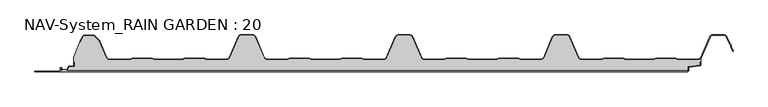
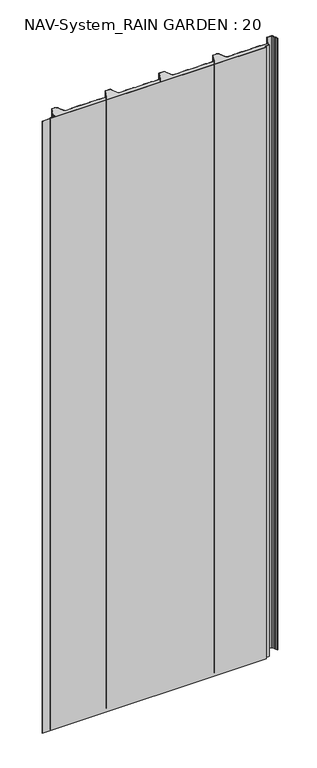
"""IFC4 building model written with IfcOpenShell, lengths in millimetres: plate geometry, NAV-System_RAIN GARDEN : 20."""

from ifc_helpers import new_model, si_unit, point, frame, frame_2d, origin, origin_with_axes, place, context, project, spatial, polyline, circle_curve, trimmed, segment, composite_curve, outline, extrude, source, transform, mapped, element, save


def nav_system_rain_garden_20_6908c3ca(model_context):
    return source(origin(), model_context, "Body", "SweptSolid", [
        extrude(outline(composite_curve([segment(polyline([(14.6767555, 519.0), (14.6767555, 518.2), (10.3721283, 518.2), (7.8818536, 500.4911207)]), True, "CONTINUOUS"), segment(trimmed(circle_curve(frame_2d((6.3964683, 500.7)), 1.5), [point((7.8818536, 500.4911207))], [point((6.3964683, 499.2))], False, "CARTESIAN"), True, "CONTINUOUS"), segment(polyline([(6.3964683, 499.2), (1.8, 499.2), (1.8, -498.7)]), True, "CONTINUOUS"), segment(trimmed(circle_curve(frame_2d((2.3, -498.7)), 0.5), [point((1.8, -498.7))], [point((2.3, -499.2))], True, "CARTESIAN"), True, "CONTINUOUS"), segment(polyline([(2.3, -499.2), (5.3700191, -499.2)]), True, "CONTINUOUS"), segment(trimmed(circle_curve(frame_2d((5.3700191, -498.7)), 0.5), [point((5.3700191, -499.2))], [point((5.6200191, -498.2669873))], True, "CARTESIAN"), True, "CONTINUOUS"), segment(polyline([(5.6200191, -498.2669873), (2.2, -496.2924383), (2.2, -488.9841833), (7.6866602, -485.8164586), (8.898332, -477.2), (14.6767555, -477.2), (14.6767555, -478.0), (9.5937048, -478.0), (8.5128213, -485.6863953)]), True, "CONTINUOUS"), segment(trimmed(circle_curve(frame_2d((7.2254873, -485.5053666)), 1.3), [point((8.5128213, -485.6863953))], [point((7.8754873, -486.6311996))], False, "CARTESIAN"), True, "CONTINUOUS"), segment(polyline([(7.8754873, -486.6311996), (3.0, -489.4460636), (3.0, -495.8305581), (6.0200191, -497.574167)]), True, "CONTINUOUS"), segment(trimmed(circle_curve(frame_2d((5.3700191, -498.7)), 1.3), [point((6.0200191, -497.574167))], [point((5.3700191, -500.0))], False, "CARTESIAN"), True, "CONTINUOUS"), segment(polyline([(5.3700191, -500.0), (2.3, -500.0)]), True, "CONTINUOUS"), segment(trimmed(circle_curve(frame_2d((2.3, -498.7)), 1.3), [point((2.3, -500.0))], [point((1.0, -498.7))], False, "CARTESIAN"), True, "CONTINUOUS"), segment(polyline([(1.0, -498.7), (1.0, -540.0), (0.0, -540.0), (0.0, 498.7), (1.0, 498.7)]), True, "CONTINUOUS"), segment(trimmed(circle_curve(frame_2d((2.3, 498.7)), 1.3), [point((1.0, 498.7))], [point((2.3, 500.0))], False, "CARTESIAN"), True, "CONTINUOUS"), segment(polyline([(2.3, 500.0), (6.3964683, 500.0)]), True, "CONTINUOUS"), segment(trimmed(circle_curve(frame_2d((6.3964683, 500.7)), 0.7), [point((6.3964683, 500.0))], [point((7.0896481, 500.602523))], True, "CARTESIAN"), True, "CONTINUOUS"), segment(polyline([(7.0896481, 500.602523), (9.5194024, 517.8810287)]), True, "CONTINUOUS"), segment(trimmed(circle_curve(frame_2d((10.8067363, 517.7)), 1.3), [point((9.5194024, 517.8810287))], [point((10.8067363, 519.0))], False, "CARTESIAN"), True, "CONTINUOUS"), segment(polyline([(10.8067363, 519.0), (14.6767555, 519.0)]), True, "CONTINUOUS")], self_intersect=False)), frame((0.0, 0.0, 3000.0), z_axis=(0.0, 0.0, -1.0), x_axis=(0.0, 1.0, 0.0)), (0.0, 0.0, 1.0), 3000.0),
        extrude(outline(composite_curve([segment(polyline([(519.0, 20.6220493), (519.0, 14.6767555), (518.2, 14.6767555), (518.2, 10.3721283), (500.4911207, 7.8818536)]), True, "CONTINUOUS"), segment(trimmed(circle_curve(frame_2d((500.7, 6.3964683)), 1.5), [point((500.4911207, 7.8818536))], [point((499.2, 6.3964683))], True, "CARTESIAN"), True, "CONTINUOUS"), segment(polyline([(499.2, 6.3964683), (499.2, 1.8), (-498.7, 1.8)]), True, "CONTINUOUS"), segment(trimmed(circle_curve(frame_2d((-498.7, 2.3)), 0.5), [point((-498.7, 1.8))], [point((-499.2, 2.3))], False, "CARTESIAN"), True, "CONTINUOUS"), segment(polyline([(-499.2, 2.3), (-499.2, 5.3700191)]), True, "CONTINUOUS"), segment(trimmed(circle_curve(frame_2d((-498.7, 5.3700191)), 0.5), [point((-499.2, 5.3700191))], [point((-498.2669873, 5.6200191))], False, "CARTESIAN"), True, "CONTINUOUS"), segment(polyline([(-498.2669873, 5.6200191), (-496.2924383, 2.2), (-488.9841833, 2.2), (-485.8164586, 7.6866602), (-477.2, 8.898332), (-477.2, 14.6767555), (-478.0, 14.6767555), (-478.0, 23.053822), (-468.3696578, 46.593514), (-467.6292254, 46.2905951), (-464.1022482, 54.9116756)]), True, "CONTINUOUS"), segment(trimmed(circle_curve(frame_2d((-461.1405186, 53.7)), 3.2), [point((-464.1022482, 54.9116756))], [point((-461.1405186, 56.9))], False, "CARTESIAN"), True, "CONTINUOUS"), segment(polyline([(-461.1405186, 56.9), (-447.7344665, 56.9)]), True, "CONTINUOUS"), segment(trimmed(circle_curve(frame_2d((-447.7344665, 52.7)), 4.2), [point((-447.7344665, 56.9))], [point((-444.764618, 55.6698485))], False, "CARTESIAN"), True, "CONTINUOUS"), segment(polyline([(-444.764618, 55.6698485), (-438.3136397, 49.2188701)]), True, "CONTINUOUS"), segment(trimmed(circle_curve(frame_2d((-441.2834882, 46.2490217)), 4.2), [point((-438.3136397, 49.2188701))], [point((-437.4245651, 47.9069459))], False, "CARTESIAN"), True, "CONTINUOUS"), segment(polyline([(-437.4245651, 47.9069459), (-426.3392729, 22.1052295)]), True, "CONTINUOUS"), segment(trimmed(circle_curve(frame_2d((-421.9290751, 24.0)), 4.8), [point((-426.3392729, 22.1052295))], [point((-421.9290751, 19.2))], True, "CARTESIAN"), True, "CONTINUOUS"), segment(polyline([(-421.9290751, 19.2), (-389.1564631, 19.2), (-385.1925378, 20.7), (-353.6825105, 20.7), (-349.6410865, 19.2), (-305.8231298, 19.2), (-301.9276212, 20.6741102), (-270.3491772, 20.7), (-266.3077532, 19.2), (-234.4101978, 19.2)]), True, "CONTINUOUS"), segment(trimmed(circle_curve(frame_2d((-234.4101978, 24.0)), 4.8), [point((-234.4101978, 19.2))], [point((-230.0, 22.1052295))], True, "CARTESIAN"), True, "CONTINUOUS"), segment(polyline([(-230.0, 22.1052295), (-215.7994417, 55.1579242)]), True, "CONTINUOUS"), segment(trimmed(circle_curve(frame_2d((-211.9405186, 53.5)), 4.2), [point((-215.7994417, 55.1579242))], [point((-211.9405186, 57.7))], False, "CARTESIAN"), True, "CONTINUOUS"), segment(polyline([(-211.9405186, 57.7), (-193.5280451, 57.7)]), True, "CONTINUOUS"), segment(trimmed(circle_curve(frame_2d((-193.5280451, 53.5)), 4.2), [point((-193.5280451, 57.7))], [point((-189.669122, 55.1579242))], False, "CARTESIAN"), True, "CONTINUOUS"), segment(polyline([(-189.669122, 55.1579242), (-175.4685637, 22.1052295)]), True, "CONTINUOUS"), segment(trimmed(circle_curve(frame_2d((-171.0583659, 24.0)), 4.8), [point((-175.4685637, 22.1052295))], [point((-171.0583659, 19.2))], True, "CARTESIAN"), True, "CONTINUOUS"), segment(polyline([(-171.0583659, 19.2), (-139.1564631, 19.2), (-135.1925378, 20.7), (-103.6825105, 20.7), (-99.6410865, 19.2), (-55.8231298, 19.2), (-51.9276212, 20.6741102), (-20.3491772, 20.7), (-16.3077532, 19.2), (15.5898022, 19.2)]), True, "CONTINUOUS"), segment(trimmed(circle_curve(frame_2d((15.5898022, 24.0)), 4.8), [point((15.5898022, 19.2))], [point((20.0, 22.1052295))], True, "CARTESIAN"), True, "CONTINUOUS"), segment(polyline([(20.0, 22.1052295), (34.2005583, 55.1579242)]), True, "CONTINUOUS"), segment(trimmed(circle_curve(frame_2d((38.0594814, 53.5)), 4.2), [point((34.2005583, 55.1579242))], [point((38.0594814, 57.7))], False, "CARTESIAN"), True, "CONTINUOUS"), segment(polyline([(38.0594814, 57.7), (56.4719549, 57.7)]), True, "CONTINUOUS"), segment(trimmed(circle_curve(frame_2d((56.4719549, 53.5)), 4.2), [point((56.4719549, 57.7))], [point((60.330878, 55.1579242))], False, "CARTESIAN"), True, "CONTINUOUS"), segment(polyline([(60.330878, 55.1579242), (74.5314363, 22.1052295)]), True, "CONTINUOUS"), segment(trimmed(circle_curve(frame_2d((78.9416341, 24.0)), 4.8), [point((74.5314363, 22.1052295))], [point((78.9416341, 19.2))], True, "CARTESIAN"), True, "CONTINUOUS"), segment(polyline([(78.9416341, 19.2), (110.8435369, 19.2), (114.8074622, 20.7), (146.3174895, 20.7), (150.3589135, 19.2), (194.1768702, 19.2), (198.0723788, 20.6741102), (229.6508228, 20.7), (233.6922468, 19.2), (265.5898022, 19.2)]), True, "CONTINUOUS"), segment(trimmed(circle_curve(frame_2d((265.5898022, 24.0)), 4.8), [point((265.5898022, 19.2))], [point((270.0, 22.1052295))], True, "CARTESIAN"), True, "CONTINUOUS"), segment(polyline([(270.0, 22.1052295), (284.2005583, 55.1579242)]), True, "CONTINUOUS"), segment(trimmed(circle_curve(frame_2d((288.0594814, 53.5)), 4.2), [point((284.2005583, 55.1579242))], [point((288.0594814, 57.7))], False, "CARTESIAN"), True, "CONTINUOUS"), segment(polyline([(288.0594814, 57.7), (306.4719549, 57.7)]), True, "CONTINUOUS"), segment(trimmed(circle_curve(frame_2d((306.4719549, 53.5)), 4.2), [point((306.4719549, 57.7))], [point((310.330878, 55.1579242))], False, "CARTESIAN"), True, "CONTINUOUS"), segment(polyline([(310.330878, 55.1579242), (324.5314363, 22.1052295)]), True, "CONTINUOUS"), segment(trimmed(circle_curve(frame_2d((328.9416341, 24.0)), 4.8), [point((324.5314363, 22.1052295))], [point((328.9416341, 19.2))], True, "CARTESIAN"), True, "CONTINUOUS"), segment(polyline([(328.9416341, 19.2), (360.8435369, 19.2), (364.7390455, 20.6741102), (396.3174895, 20.7), (400.3589135, 19.2), (444.1768702, 19.2), (448.0723788, 20.6741102), (479.6508228, 20.7), (483.6922468, 19.2), (515.5898022, 19.2)]), True, "CONTINUOUS"), segment(trimmed(circle_curve(frame_2d((515.5898022, 24.0)), 4.8), [point((515.5898022, 19.2))], [point((519.0, 20.6220493))], True, "CARTESIAN"), True, "CONTINUOUS")], self_intersect=False)), origin_with_axes(), (0.0, 0.0, 1.0), 3000.0),
        extrude(outline(composite_curve([segment(trimmed(circle_curve(frame_2d((-461.1408608, 53.7)), 4.0), [point((-464.8430228, 55.2145945))], [point((-461.1408608, 57.7))], False, "CARTESIAN"), True, "CONTINUOUS"), segment(polyline([(-461.1408608, 57.7), (-447.7348087, 57.7)]), True, "CONTINUOUS"), segment(trimmed(circle_curve(frame_2d((-447.7348087, 52.7)), 5.0), [point((-447.7348087, 57.7))], [point((-444.1992748, 56.2355339))], False, "CARTESIAN"), True, "CONTINUOUS"), segment(polyline([(-444.1992748, 56.2355339), (-437.7482965, 49.7845556)]), True, "CONTINUOUS"), segment(trimmed(circle_curve(frame_2d((-441.2838304, 46.2490217)), 5.0), [point((-437.7482965, 49.7845556))], [point((-436.6898744, 48.2227409))], False, "CARTESIAN"), True, "CONTINUOUS"), segment(polyline([(-436.6898744, 48.2227409), (-425.6045822, 22.4210246)]), True, "CONTINUOUS"), segment(trimmed(circle_curve(frame_2d((-421.9294173, 24.0)), 4.0), [point((-425.6045822, 22.4210246))], [point((-421.9294173, 20.0))], True, "CARTESIAN"), True, "CONTINUOUS"), segment(polyline([(-421.9294173, 20.0), (-389.3031082, 20.0), (-385.3391828, 21.5), (-353.4633986, 21.5), (-349.4994732, 20.0), (-305.9697749, 20.0), (-302.0058495, 21.5), (-270.1300653, 21.5), (-266.1661399, 20.0), (-234.41054, 20.0)]), True, "CONTINUOUS"), segment(trimmed(circle_curve(frame_2d((-234.41054, 24.0)), 4.0), [point((-234.41054, 20.0))], [point((-230.7353752, 22.4210246))], True, "CARTESIAN"), True, "CONTINUOUS"), segment(polyline([(-230.7353752, 22.4210246), (-216.5348169, 55.4737193)]), True, "CONTINUOUS"), segment(trimmed(circle_curve(frame_2d((-211.9408608, 53.5)), 5.0), [point((-216.5348169, 55.4737193))], [point((-211.9408608, 58.5))], False, "CARTESIAN"), True, "CONTINUOUS"), segment(polyline([(-211.9408608, 58.5), (-193.5283873, 58.5)]), True, "CONTINUOUS"), segment(trimmed(circle_curve(frame_2d((-193.5283873, 53.5)), 5.0), [point((-193.5283873, 58.5))], [point((-188.9344313, 55.4737193))], False, "CARTESIAN"), True, "CONTINUOUS"), segment(polyline([(-188.9344313, 55.4737193), (-174.7338729, 22.4210246)]), True, "CONTINUOUS"), segment(trimmed(circle_curve(frame_2d((-171.0587081, 24.0)), 4.0), [point((-174.7338729, 22.4210246))], [point((-171.0587081, 20.0))], True, "CARTESIAN"), True, "CONTINUOUS"), segment(polyline([(-171.0587081, 20.0), (-139.3031082, 20.0), (-135.3391828, 21.5), (-103.4633986, 21.5), (-99.4994732, 20.0), (-55.9697749, 20.0), (-52.0058495, 21.5), (-20.1300653, 21.5), (-16.1661399, 20.0), (15.58946, 20.0)]), True, "CONTINUOUS"), segment(trimmed(circle_curve(frame_2d((15.58946, 24.0)), 4.0), [point((15.58946, 20.0))], [point((19.2646248, 22.4210246))], True, "CARTESIAN"), True, "CONTINUOUS"), segment(polyline([(19.2646248, 22.4210246), (33.4651831, 55.4737193)]), True, "CONTINUOUS"), segment(trimmed(circle_curve(frame_2d((38.0591392, 53.5)), 5.0), [point((33.4651831, 55.4737193))], [point((38.0591392, 58.5))], False, "CARTESIAN"), True, "CONTINUOUS"), segment(polyline([(38.0591392, 58.5), (56.4716127, 58.5)]), True, "CONTINUOUS"), segment(trimmed(circle_curve(frame_2d((56.4716127, 53.5)), 5.0), [point((56.4716127, 58.5))], [point((61.0655687, 55.4737193))], False, "CARTESIAN"), True, "CONTINUOUS"), segment(polyline([(61.0655687, 55.4737193), (75.2661271, 22.4210246)]), True, "CONTINUOUS"), segment(trimmed(circle_curve(frame_2d((78.9412919, 24.0)), 4.0), [point((75.2661271, 22.4210246))], [point((78.9412919, 20.0))], True, "CARTESIAN"), True, "CONTINUOUS"), segment(polyline([(78.9412919, 20.0), (110.6968918, 20.0), (114.6608172, 21.5), (146.5366014, 21.5), (150.5005268, 20.0), (194.0302251, 20.0), (197.9941505, 21.5), (229.8699347, 21.5), (233.8338601, 20.0), (265.58946, 20.0)]), True, "CONTINUOUS"), segment(trimmed(circle_curve(frame_2d((265.58946, 24.0)), 4.0), [point((265.58946, 20.0))], [point((269.2646248, 22.4210246))], True, "CARTESIAN"), True, "CONTINUOUS"), segment(polyline([(269.2646248, 22.4210246), (283.4651831, 55.4737193)]), True, "CONTINUOUS"), segment(trimmed(circle_curve(frame_2d((288.0591392, 53.5)), 5.0), [point((283.4651831, 55.4737193))], [point((288.0591392, 58.5))], False, "CARTESIAN"), True, "CONTINUOUS"), segment(polyline([(288.0591392, 58.5), (306.4716127, 58.5)]), True, "CONTINUOUS"), segment(trimmed(circle_curve(frame_2d((306.4716127, 53.5)), 5.0), [point((306.4716127, 58.5))], [point((311.0655687, 55.4737193))], False, "CARTESIAN"), True, "CONTINUOUS"), segment(polyline([(311.0655687, 55.4737193), (325.2661271, 22.4210246)]), True, "CONTINUOUS"), segment(trimmed(circle_curve(frame_2d((328.9412919, 24.0)), 4.0), [point((325.2661271, 22.4210246))], [point((328.9412919, 20.0))], True, "CARTESIAN"), True, "CONTINUOUS"), segment(polyline([(328.9412919, 20.0), (360.6968918, 20.0), (364.6608172, 21.5), (396.5366014, 21.5), (400.5005268, 20.0), (444.0302251, 20.0), (447.9941505, 21.5), (479.8699347, 21.5), (483.8338601, 20.0), (515.58946, 20.0)]), True, "CONTINUOUS"), segment(trimmed(circle_curve(frame_2d((515.58946, 24.0)), 4.0), [point((515.58946, 20.0))], [point((519.2646248, 22.4210246))], True, "CARTESIAN"), True, "CONTINUOUS"), segment(polyline([(519.2646248, 22.4210246), (533.4651831, 55.4737193)]), True, "CONTINUOUS"), segment(trimmed(circle_curve(frame_2d((538.0591392, 53.5)), 5.0), [point((533.4651831, 55.4737193))], [point((538.0591392, 58.5))], False, "CARTESIAN"), True, "CONTINUOUS"), segment(polyline([(538.0591392, 58.5), (556.4716127, 58.5)]), True, "CONTINUOUS"), segment(trimmed(circle_curve(frame_2d((556.4716127, 53.5)), 5.0), [point((556.4716127, 58.5))], [point((561.0655687, 55.4737193))], False, "CARTESIAN"), True, "CONTINUOUS"), segment(polyline([(561.0655687, 55.4737193), (565.9006789, 44.2196957), (567.9230626, 42.4138642), (567.8408612, 39.703799), (570.8182039, 32.7738461), (570.0831709, 32.458051), (567.0358547, 39.5508717), (567.1121268, 42.0654564), (565.2356202, 43.741031), (560.3305358, 55.1579242)]), True, "CONTINUOUS"), segment(trimmed(circle_curve(frame_2d((556.4716127, 53.5)), 4.2), [point((560.3305358, 55.1579242))], [point((556.4716127, 57.7))], True, "CARTESIAN"), True, "CONTINUOUS"), segment(polyline([(556.4716127, 57.7), (538.0591392, 57.7)]), True, "CONTINUOUS"), segment(trimmed(circle_curve(frame_2d((538.0591392, 53.5)), 4.2), [point((538.0591392, 57.7))], [point((534.2002161, 55.1579242))], True, "CARTESIAN"), True, "CONTINUOUS"), segment(polyline([(534.2002161, 55.1579242), (519.9996578, 22.1052295)]), True, "CONTINUOUS"), segment(trimmed(circle_curve(frame_2d((515.58946, 24.0)), 4.8), [point((519.9996578, 22.1052295))], [point((515.58946, 19.2))], False, "CARTESIAN"), True, "CONTINUOUS"), segment(polyline([(515.58946, 19.2), (483.6919046, 19.2), (479.6504806, 20.7), (448.0720366, 20.6741102), (444.1765279, 19.2), (400.3585713, 19.2), (396.3171473, 20.7), (364.7387033, 20.6741102), (360.8431946, 19.2), (328.9412919, 19.2)]), True, "CONTINUOUS"), segment(trimmed(circle_curve(frame_2d((328.9412919, 24.0)), 4.8), [point((328.9412919, 19.2))], [point((324.5310941, 22.1052295))], False, "CARTESIAN"), True, "CONTINUOUS"), segment(polyline([(324.5310941, 22.1052295), (310.3305358, 55.1579242)]), True, "CONTINUOUS"), segment(trimmed(circle_curve(frame_2d((306.4716127, 53.5)), 4.2), [point((310.3305358, 55.1579242))], [point((306.4716127, 57.7))], True, "CARTESIAN"), True, "CONTINUOUS"), segment(polyline([(306.4716127, 57.7), (288.0591392, 57.7)]), True, "CONTINUOUS"), segment(trimmed(circle_curve(frame_2d((288.0591392, 53.5)), 4.2), [point((288.0591392, 57.7))], [point((284.2002161, 55.1579242))], True, "CARTESIAN"), True, "CONTINUOUS"), segment(polyline([(284.2002161, 55.1579242), (269.9996578, 22.1052295)]), True, "CONTINUOUS"), segment(trimmed(circle_curve(frame_2d((265.58946, 24.0)), 4.8), [point((269.9996578, 22.1052295))], [point((265.58946, 19.2))], False, "CARTESIAN"), True, "CONTINUOUS"), segment(polyline([(265.58946, 19.2), (233.6919046, 19.2), (229.6504806, 20.7), (198.0720366, 20.6741102), (194.1765279, 19.2), (150.3585713, 19.2), (146.3171473, 20.7), (114.7387033, 20.6741102), (110.8431946, 19.2), (78.9412919, 19.2)]), True, "CONTINUOUS"), segment(trimmed(circle_curve(frame_2d((78.9412919, 24.0)), 4.8), [point((78.9412919, 19.2))], [point((74.5310941, 22.1052295))], False, "CARTESIAN"), True, "CONTINUOUS"), segment(polyline([(74.5310941, 22.1052295), (60.3305358, 55.1579242)]), True, "CONTINUOUS"), segment(trimmed(circle_curve(frame_2d((56.4716127, 53.5)), 4.2), [point((60.3305358, 55.1579242))], [point((56.4716127, 57.7))], True, "CARTESIAN"), True, "CONTINUOUS"), segment(polyline([(56.4716127, 57.7), (38.0591392, 57.7)]), True, "CONTINUOUS"), segment(trimmed(circle_curve(frame_2d((38.0591392, 53.5)), 4.2), [point((38.0591392, 57.7))], [point((34.2002161, 55.1579242))], True, "CARTESIAN"), True, "CONTINUOUS"), segment(polyline([(34.2002161, 55.1579242), (19.9996578, 22.1052295)]), True, "CONTINUOUS"), segment(trimmed(circle_curve(frame_2d((15.58946, 24.0)), 4.8), [point((19.9996578, 22.1052295))], [point((15.58946, 19.2))], False, "CARTESIAN"), True, "CONTINUOUS"), segment(polyline([(15.58946, 19.2), (-16.3080954, 19.2), (-20.3495194, 20.7), (-51.9279634, 20.6741102), (-55.8234721, 19.2), (-99.6414287, 19.2), (-103.6828527, 20.7), (-135.2612967, 20.6741102), (-139.1568054, 19.2), (-171.0587081, 19.2)]), True, "CONTINUOUS"), segment(trimmed(circle_curve(frame_2d((-171.0587081, 24.0)), 4.8), [point((-171.0587081, 19.2))], [point((-175.4689059, 22.1052295))], False, "CARTESIAN"), True, "CONTINUOUS"), segment(polyline([(-175.4689059, 22.1052295), (-189.6694642, 55.1579242)]), True, "CONTINUOUS"), segment(trimmed(circle_curve(frame_2d((-193.5283873, 53.5)), 4.2), [point((-189.6694642, 55.1579242))], [point((-193.5283873, 57.7))], True, "CARTESIAN"), True, "CONTINUOUS"), segment(polyline([(-193.5283873, 57.7), (-211.9408608, 57.7)]), True, "CONTINUOUS"), segment(trimmed(circle_curve(frame_2d((-211.9408608, 53.5)), 4.2), [point((-211.9408608, 57.7))], [point((-215.7997839, 55.1579242))], True, "CARTESIAN"), True, "CONTINUOUS"), segment(polyline([(-215.7997839, 55.1579242), (-230.0003422, 22.1052295)]), True, "CONTINUOUS"), segment(trimmed(circle_curve(frame_2d((-234.41054, 24.0)), 4.8), [point((-230.0003422, 22.1052295))], [point((-234.41054, 19.2))], False, "CARTESIAN"), True, "CONTINUOUS"), segment(polyline([(-234.41054, 19.2), (-266.3080954, 19.2), (-270.3495194, 20.7), (-301.9279634, 20.6741102), (-305.8234721, 19.2), (-349.6414287, 19.2), (-353.6828527, 20.7), (-385.19288, 20.7), (-389.1568054, 19.2), (-421.9294173, 19.2)]), True, "CONTINUOUS"), segment(trimmed(circle_curve(frame_2d((-421.9294173, 24.0)), 4.8), [point((-421.9294173, 19.2))], [point((-426.3396151, 22.1052295))], False, "CARTESIAN"), True, "CONTINUOUS"), segment(polyline([(-426.3396151, 22.1052295), (-437.4249073, 47.9069459)]), True, "CONTINUOUS"), segment(trimmed(circle_curve(frame_2d((-441.2838304, 46.2490217)), 4.2), [point((-437.4249073, 47.9069459))], [point((-438.3139819, 49.2188701))], True, "CARTESIAN"), True, "CONTINUOUS"), segment(polyline([(-438.3139819, 49.2188701), (-444.7649603, 55.6698485)]), True, "CONTINUOUS"), segment(trimmed(circle_curve(frame_2d((-447.7348087, 52.7)), 4.2), [point((-444.7649603, 55.6698485))], [point((-447.7348087, 56.9))], True, "CARTESIAN"), True, "CONTINUOUS"), segment(polyline([(-447.7348087, 56.9), (-461.1408608, 56.9)]), True, "CONTINUOUS"), segment(trimmed(circle_curve(frame_2d((-461.1408608, 53.7)), 3.2), [point((-461.1408608, 56.9))], [point((-464.1025904, 54.9116756))], True, "CARTESIAN"), True, "CONTINUOUS"), segment(polyline([(-464.1025904, 54.9116756), (-467.6295676, 46.2905951), (-468.37, 46.593514), (-464.8430228, 55.2145945)]), True, "CONTINUOUS")], self_intersect=False)), origin_with_axes(), (0.0, 0.0, 1.0), 3000.0),
    ])


if __name__ == "__main__":
    model = new_model("IFC4")
    model_context = context("Model", 3, world=origin())
    ifc_project = project(units=[si_unit("LENGTHUNIT", "METRE", prefix="MILLI")], contexts=[model_context])
    site = spatial("IfcSite", under=ifc_project)
    building = spatial("IfcBuilding", under=site)
    placement = place(None, origin())
    nav_system_rain_garden_20_shape = nav_system_rain_garden_20_6908c3ca(model_context)
    element("IfcPlate", 1, ObjectType="NAV-System_RAIN GARDEN : 20", at=placement, inside=building, context=model_context, shape_type="MappedRepresentation", body=[
        mapped(nav_system_rain_garden_20_shape, transform((0.0, 0.0, 0.0), x_axis=(1.0, 0.0, 0.0), y_axis=(0.0, 1.0, 0.0), z_axis=(0.0, 0.0, 1.0))),
    ])
    save(model, "model.ifc")
